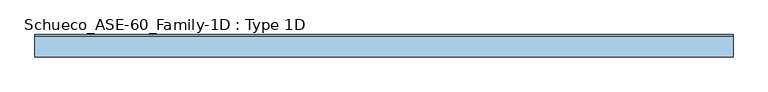
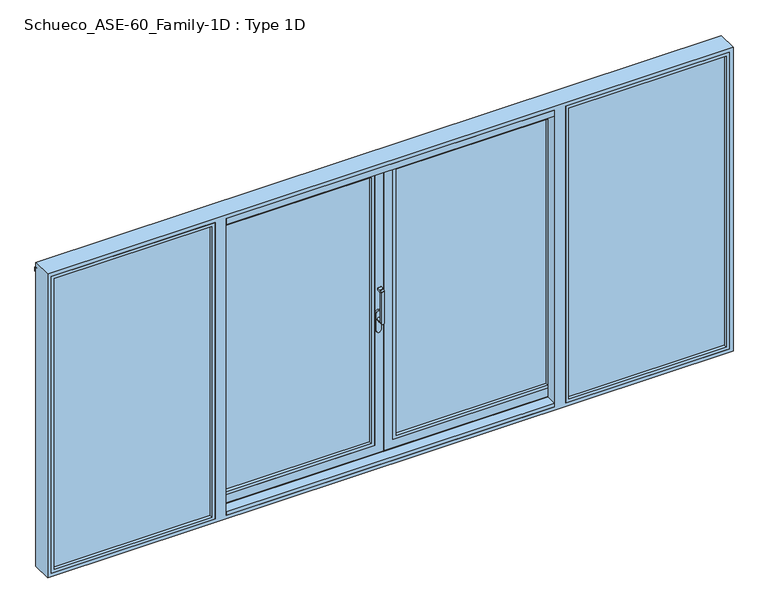
"""IFC4 building model written with IfcOpenShell, lengths in millimetres: window geometry, Schueco_ASE-60_Family-1D : Type 1D."""

from ifc_helpers import new_model, si_unit, point, frame, frame_2d, origin, place, context, project, spatial, polyline, circle_curve, trimmed, segment, composite_curve, outline, extrude, faceted_brep, source, transform, mapped, element, save
from ifc_brep_helpers import plane_surface, cylinder_surface, revolved_surface, advanced_brep


def schueco_ase_60_family_1d_type_1d_b2698dcb(model_context):
    return source(origin(), model_context, "Body", "SolidModel", [
        advanced_brep(
        [(-30.25, -41.999944, 999.0), (-30.25, -41.999944, 1224.2360009), (-54.25, -41.999944, 1224.2360009), (-54.25, -41.999944, 999.0), (-30.25, 6.000056, 999.005052), (-54.25, 6.000056, 999.005052), (-54.25, -29.999944, 999.005052), (-30.25, -29.999944, 999.005052), (-54.25, -41.4141576, 1225.6502145), (-54.25, -30.6500975, 1236.4142746), (-54.25, -29.2358839, 1237.000061), (-54.25, -1.999944, 1237.000061), (-54.25, 5.6e-05, 1235.000061), (-54.25, 5.6e-05, 1224.000061), (-54.25, -1.999944, 1222.000061), (-54.25, -22.649284, 1222.000061), (-54.25, -29.999944, 1214.6494011), (-30.25, -29.999944, 1214.6494011), (-30.25, -22.649284, 1222.000061), (-30.25, -1.999944, 1222.000061), (-30.25, 5.6e-05, 1224.000061), (-30.25, 5.6e-05, 1235.000061), (-30.25, -1.999944, 1237.000061), (-30.25, -29.2358839, 1237.000061), (-30.25, -30.6500975, 1236.4142746), (-30.25, -41.4141576, 1225.6502145)],
        [
            (0, 1),
            (1, 2),
            (2, 3),
            (3, 0, circle_curve(frame((-42.25, -41.999944, 999.005052), z_axis=(0.0, -1.0, 0.0), x_axis=(-1.0000000000000009, 0.0, 0.0)), 12.0)),
            (4, 5, circle_curve(frame((-42.25, 6.000056, 999.005052), z_axis=(0.0, 1.0, 0.0), x_axis=(-1.0000000000000009, 0.0, 0.0)), 12.0)),
            (5, 4, circle_curve(frame((-42.25, 6.000056, 999.005052), z_axis=(0.0, 1.0, 0.0), x_axis=(-1.0000000000000009, 0.0, 0.0)), 12.0)),
            (3, 6),
            (6, 5),
            (4, 7),
            (7, 0),
            (6, 7, circle_curve(frame((-42.25, -29.999944, 999.005052), z_axis=(0.0, 1.0, 0.0), x_axis=(-1.0000000000000009, 0.0, 0.0)), 12.0)),
            (2, 8, circle_curve(frame((-54.25, -39.999944, 1224.2360009), z_axis=(-1.0, 0.0, 0.0), x_axis=(0.0, 0.0, -1.0)), 2.0)),
            (8, 9),
            (9, 10, circle_curve(frame((-54.25, -29.2358839, 1235.000061), z_axis=(-1.0, 0.0, 0.0), x_axis=(0.0, 0.0, -1.0)), 2.0)),
            (10, 11),
            (11, 12, circle_curve(frame((-54.25, -1.999944, 1235.000061), z_axis=(-1.0, 0.0, 0.0), x_axis=(0.0, 0.0, -1.0)), 2.0)),
            (12, 13),
            (13, 14, circle_curve(frame((-54.25, -1.999944, 1224.000061), z_axis=(-1.0, 0.0, 0.0), x_axis=(0.0, 0.0, -1.0)), 2.0)),
            (14, 15),
            (15, 16, circle_curve(frame((-54.25, -22.649284, 1214.6494011), z_axis=(1.0, 0.0, 0.0), x_axis=(0.0, 0.0, -1.0)), 7.35066)),
            (16, 6),
            (7, 17),
            (17, 18, circle_curve(frame((-30.25, -22.649284, 1214.6494011), z_axis=(-1.0, 0.0, 0.0), x_axis=(0.0, 0.0, -1.0)), 7.35066)),
            (18, 19),
            (19, 20, circle_curve(frame((-30.25, -1.999944, 1224.000061), z_axis=(1.0, 0.0, 0.0), x_axis=(0.0, 0.0, -1.0)), 2.0)),
            (20, 21),
            (21, 22, circle_curve(frame((-30.25, -1.999944, 1235.000061), z_axis=(1.0, 0.0, 0.0), x_axis=(0.0, 0.0, -1.0)), 2.0)),
            (22, 23),
            (23, 24, circle_curve(frame((-30.25, -29.2358839, 1235.000061), z_axis=(1.0, 0.0, 0.0), x_axis=(0.0, 0.0, -1.0)), 2.0)),
            (24, 25),
            (25, 1, circle_curve(frame((-30.25, -39.999944, 1224.2360009), z_axis=(1.0, 0.0, 0.0), x_axis=(0.0, 0.0, -1.0)), 2.0)),
            (16, 17),
            (15, 18),
            (14, 19),
            (13, 20),
            (12, 21),
            (11, 22),
            (10, 23),
            (9, 24),
            (8, 25),
        ],
        [
            plane_surface(frame((-54.25, -41.999944, 999.005052), z_axis=(0.0, -1.0, 0.0), x_axis=(0.0, 0.0, 1.0))),
            plane_surface(frame((-54.25, 6.000056, 999.005052), z_axis=(0.0, 1.0, 0.0), x_axis=(0.0, 0.0, -1.0))),
            cylinder_surface(frame((-42.25, 6.000056, 999.005052), z_axis=(0.0, -1.0000000000000009, 0.0), x_axis=(-1.0000000000000009, 0.0, 0.0)), 12.0),
            plane_surface(frame((-54.25, -41.999944, 1004.7503433), z_axis=(-1.0, 0.0, 0.0), x_axis=(0.0, 0.0, -1.0))),
            plane_surface(frame((-30.25, -41.999944, 1004.7503433), z_axis=(1.0, 0.0, 0.0), x_axis=(0.0, 0.0, 1.0))),
            plane_surface(frame((-54.25, -29.999944, 999.0), z_axis=(0.0, 1.0, 0.0), x_axis=(1.0, 0.0, 0.0))),
            revolved_surface(polyline([(-30.25, -22.649284, 1207.2987411), (-54.25000000000004, -22.649284, 1207.2987411)]), (-30.25, -22.649284, 1214.6494011), (1.0000000000000009, 0.0, 0.0)),
            plane_surface(frame((-54.25, -22.649284, 1222.000061), z_axis=(0.0, 0.0, -1.0), x_axis=(1.0, 0.0, 0.0))),
            cylinder_surface(frame((-30.25, -1.999944, 1224.000061), z_axis=(-1.0000000000000009, 0.0, 0.0), x_axis=(0.0, 0.0, -1.0)), 2.0),
            plane_surface(frame((-54.25, 5.6e-05, 1224.000061), z_axis=(0.0, 1.0, 0.0), x_axis=(1.0, 0.0, 0.0))),
            cylinder_surface(frame((-30.25, -1.999944, 1235.000061), z_axis=(-1.0000000000000009, 0.0, 0.0), x_axis=(0.0, 0.0, -1.0)), 2.0),
            plane_surface(frame((-54.25, -1.999944, 1237.000061), z_axis=(0.0, 0.0, 1.0), x_axis=(1.0, 0.0, 0.0))),
            cylinder_surface(frame((-30.25, -29.2358839, 1235.000061), z_axis=(-1.0000000000000009, 0.0, 0.0), x_axis=(0.0, 0.0, -1.0)), 2.0),
            plane_surface(frame((-54.25, -30.6500975, 1236.4142746), z_axis=(0.0, -0.7071067811865419, 0.7071067811865531), x_axis=(1.0, 0.0, 0.0))),
            cylinder_surface(frame((-30.25, -39.999944, 1224.2360009), z_axis=(-1.0000000000000009, 0.0, 0.0), x_axis=(0.0, 0.0, -1.0)), 2.0),
        ],
        [
            (0, [[1, 2, 3, 4]]),
            (1, [[5, 6]]),
            (2, [[7, 8, -5, 9, 10, -4]]),
            (2, [[-8, 11, -9, -6]]),
            (3, [[12, 13, 14, 15, 16, 17, 18, 19, 20, 21, -7, -3]]),
            (4, [[-1, -10, 22, 23, 24, 25, 26, 27, 28, 29, 30, 31]]),
            (5, [[32, -22, -11, -21]]),
            (6, [[33, -23, -32, -20]]),
            (7, [[34, -24, -33, -19]]),
            (8, [[35, -25, -34, -18]]),
            (9, [[36, -26, -35, -17]]),
            (10, [[37, -27, -36, -16]]),
            (11, [[38, -28, -37, -15]]),
            (12, [[39, -29, -38, -14]]),
            (13, [[40, -30, -39, -13]]),
            (14, [[-2, -31, -40, -12]]),
        ],
    ),
        extrude(outline(composite_curve([segment(polyline([(917.2823932, -25.5), (1044.0099288, -25.5)]), True, "CONTINUOUS"), segment(trimmed(circle_curve(frame_2d((1044.0099288, -42.25)), 16.75), [point((1044.0099288, -25.5))], [point((1044.0099288, -59.0))], False, "CARTESIAN"), True, "CONTINUOUS"), segment(polyline([(1044.0099288, -59.0), (917.2823932, -59.0)]), True, "CONTINUOUS"), segment(trimmed(circle_curve(frame_2d((917.2823932, -42.25)), 16.75), [point((917.2823932, -59.0))], [point((917.2823932, -25.5))], False, "CARTESIAN"), True, "CONTINUOUS")], self_intersect=False)), frame((0.0, 6.000056, 0.0), z_axis=(0.0, 1.0, 0.0), x_axis=(0.0, 0.0, 1.0)), (0.0, 0.0, 1.0), 13.9999695),
        extrude(outline(polyline([(-1246.0016879, 80.0), (-1226.0017184, 80.0), (-1226.0017184, 74.5), (-1242.2016228, 74.5), (-1242.2016228, 20.0000255), (-1195.0000948, 20.0000255), (-1195.0000948, 4.0000255), (-1246.0016879, 4.0000255), (-1246.0016879, 80.0)])), frame((0.0, 0.0, 3.9982816), z_axis=(0.0, 0.0, 1.0), x_axis=(1.0, 0.0, 0.0)), (0.0, 0.0, 1.0), 2127.0034368),
        extrude(outline(polyline([(2071.0, -64.0), (2071.0, -1166.0), (64.0, -1166.0), (64.0, -64.0), (2071.0, -64.0)]), holes=[polyline([(2048.987351, -1143.987351), (2048.987351, -86.012649), (86.012649, -86.012649), (86.012649, -1143.987351), (2048.987351, -1143.987351)])]), frame((0.0, 20.0000255, 0.0), z_axis=(0.0, 1.0, 0.0), x_axis=(0.0, 0.0, 1.0)), (0.0, 0.0, 1.0), 22.9999656),
        extrude(outline(polyline([(-64.0, 68.9999911), (-64.0, 42.9999911), (-1166.0, 42.9999911), (-1166.0, 68.9999911), (-64.0, 68.9999911)])), frame((0.0, 0.0, 64.0), z_axis=(0.0, 0.0, 1.0), x_axis=(1.0, 0.0, 0.0)), (0.0, 0.0, 1.0), 2007.0),
        faceted_brep([(-1144.0, 68.9999911, 2049.0), (-1144.0, 68.9999911, 86.0), (-1144.0, 80.0, 86.0), (-1144.0, 80.0, 2049.0), (-1226.0017184, 80.0, 2131.0017184), (-3.9982816, 80.0, 2131.0017184), (-3.9982816, 80.0, 3.9982816), (-1226.0017184, 80.0, 3.9982816), (-86.0, 80.0, 2049.0), (-86.0, 80.0, 86.0), (-86.0, 68.9999911, 86.0), (-64.0, 68.9999911, 2071.0), (-1166.0, 68.9999911, 2071.0), (-1166.0, 68.9999911, 64.0), (-64.0, 68.9999911, 64.0), (-86.0, 68.9999911, 2049.0), (-1166.0, 20.0000255, 2071.0), (-1166.0, 20.0000255, 64.0), (-64.0, 20.0000255, 64.0), (-4.0, 20.0000255, 2131.0), (-1226.0, 20.0000255, 2131.0), (-1226.0, 20.0000255, 4.0), (-4.0, 20.0000255, 4.0), (-64.0, 20.0000255, 2071.0), (-1226.0, 25.5000255, 2131.0), (-1226.0, 25.5000255, 4.0), (-4.0, 25.5000255, 4.0), (-4.0, 25.5000255, 2131.0), (-34.0, 25.5000255, 2101.0), (-1196.0, 25.5000255, 2101.0), (-1196.0, 25.5000255, 34.0), (-34.0, 25.5000255, 34.0), (-1196.0, 74.5000332, 2101.0), (-1196.0, 74.5000332, 34.0), (-34.0, 74.5000332, 34.0), (-3.9982816, 74.5000332, 2131.0017184), (-1226.0017184, 74.5000332, 2131.0017184), (-1226.0017184, 74.5000332, 3.9982816), (-3.9982816, 74.5000332, 3.9982816), (-34.0, 74.5000332, 2101.0)], [[[0, 1, 2, 3]], [[4, 5, 6, 7], [8, 3, 2, 9]], [[1, 10, 9, 2]], [[11, 12, 13, 14], [0, 15, 10, 1]], [[16, 17, 13, 12]], [[17, 18, 14, 13]], [[19, 20, 21, 22], [16, 23, 18, 17]], [[24, 25, 21, 20]], [[25, 26, 22, 21]], [[24, 27, 26, 25], [28, 29, 30, 31]], [[32, 33, 30, 29]], [[33, 34, 31, 30]], [[35, 36, 37, 38], [32, 39, 34, 33]], [[4, 7, 37, 36]], [[7, 6, 38, 37]], [[10, 15, 8, 9]], [[18, 23, 11, 14]], [[26, 27, 19, 22]], [[34, 39, 28, 31]], [[6, 5, 35, 38]], [[15, 0, 3, 8]], [[23, 16, 12, 11]], [[27, 24, 20, 19]], [[39, 32, 29, 28]], [[5, 4, 36, 35]]]),
        extrude(outline(polyline([(-12.2016228, 25.5000255), (-12.2016228, 74.5), (34.0, 74.5), (34.0, 25.5000255), (-12.2016228, 25.5000255)])), frame((0.0, 0.0, 34.0), z_axis=(0.0, 0.0, 1.0), x_axis=(1.0, 0.0, 0.0)), (0.0, 0.0, 1.0), 2067.0),
        extrude(outline(polyline([(1246.0016879, 80.0), (1246.0016879, 4.0000255), (1195.0000948, 4.0000255), (1195.0000948, 20.0000255), (1242.2016228, 20.0000255), (1242.2016228, 74.5), (1226.0017184, 74.5), (1226.0017184, 80.0), (1246.0016879, 80.0)])), frame((0.0, 0.0, 3.9982816), z_axis=(0.0, 0.0, 1.0), x_axis=(1.0, 0.0, 0.0)), (0.0, 0.0, 1.0), 2127.0034368),
        extrude(outline(polyline([(2071.0, 64.0), (64.0, 64.0), (64.0, 1166.0), (2071.0, 1166.0), (2071.0, 64.0)]), holes=[polyline([(2048.987351, 1143.987351), (86.012649, 1143.987351), (86.012649, 86.012649), (2048.987351, 86.012649), (2048.987351, 1143.987351)])]), frame((0.0, 20.0000255, 0.0), z_axis=(0.0, 1.0, 0.0), x_axis=(0.0, 0.0, 1.0)), (0.0, 0.0, 1.0), 22.9999656),
        extrude(outline(polyline([(64.0, 68.9999911), (1166.0, 68.9999911), (1166.0, 42.9999911), (64.0, 42.9999911), (64.0, 68.9999911)])), frame((0.0, 0.0, 64.0), z_axis=(0.0, 0.0, 1.0), x_axis=(1.0, 0.0, 0.0)), (0.0, 0.0, 1.0), 2007.0),
        faceted_brep([(1144.0, 68.9999911, 2049.0), (1144.0, 80.0, 2049.0), (1144.0, 80.0, 86.0), (1144.0, 68.9999911, 86.0), (1226.0017184, 80.0, 2131.0017184), (1226.0017184, 80.0, 3.9982816), (3.9982816, 80.0, 3.9982816), (3.9982816, 80.0, 2131.0017184), (86.0, 80.0, 2049.0), (86.0, 80.0, 86.0), (86.0, 68.9999911, 86.0), (64.0, 68.9999911, 2071.0), (64.0, 68.9999911, 64.0), (1166.0, 68.9999911, 64.0), (1166.0, 68.9999911, 2071.0), (86.0, 68.9999911, 2049.0), (1166.0, 20.0000255, 2071.0), (1166.0, 20.0000255, 64.0), (64.0, 20.0000255, 64.0), (4.0, 20.0000255, 2131.0), (4.0, 20.0000255, 4.0), (1226.0, 20.0000255, 4.0), (1226.0, 20.0000255, 2131.0), (64.0, 20.0000255, 2071.0), (1226.0, 25.5000255, 2131.0), (1226.0, 25.5000255, 4.0), (4.0, 25.5000255, 4.0), (4.0, 25.5000255, 2131.0), (34.0, 25.5000255, 2101.0), (34.0, 25.5000255, 34.0), (1196.0, 25.5000255, 34.0), (1196.0, 25.5000255, 2101.0), (1196.0, 74.5000332, 2101.0), (1196.0, 74.5000332, 34.0), (34.0, 74.5000332, 34.0), (3.9982816, 74.5000332, 2131.0017184), (3.9982816, 74.5000332, 3.9982816), (1226.0017184, 74.5000332, 3.9982816), (1226.0017184, 74.5000332, 2131.0017184), (34.0, 74.5000332, 2101.0)], [[[0, 1, 2, 3]], [[4, 5, 6, 7], [8, 9, 2, 1]], [[3, 2, 9, 10]], [[11, 12, 13, 14], [0, 3, 10, 15]], [[16, 14, 13, 17]], [[17, 13, 12, 18]], [[19, 20, 21, 22], [16, 17, 18, 23]], [[24, 22, 21, 25]], [[25, 21, 20, 26]], [[24, 25, 26, 27], [28, 29, 30, 31]], [[32, 31, 30, 33]], [[33, 30, 29, 34]], [[35, 36, 37, 38], [32, 33, 34, 39]], [[4, 38, 37, 5]], [[5, 37, 36, 6]], [[10, 9, 8, 15]], [[18, 12, 11, 23]], [[26, 20, 19, 27]], [[34, 29, 28, 39]], [[6, 36, 35, 7]], [[15, 8, 1, 0]], [[23, 11, 14, 16]], [[27, 19, 22, 24]], [[39, 28, 31, 32]], [[7, 35, 38, 4]]]),
        extrude(outline(polyline([(1222.0000305, -10.9998071), (2364.0, -10.9998071), (2364.0, -36.9998071), (1222.0000305, -36.9998071), (1222.0000305, -10.9998071)])), frame((0.0, 0.0, -25.0), z_axis=(0.0, 0.0, 1.0), x_axis=(1.0, 0.0, 0.0)), (0.0, 0.0, 1.0), 2189.0),
        extrude(outline(polyline([(2164.0, 1222.0000305), (-25.0, 1222.0000305), (-25.0, 2364.0), (2164.0, 2364.0), (2164.0, 1222.0000305)]), holes=[polyline([(2141.9998171, 2341.9998171), (-2.9998171, 2341.9998171), (-2.9998171, 1244.0002134), (2141.9998171, 1244.0002134), (2141.9998171, 2341.9998171)])]), frame((0.0, -60.0, 0.0), z_axis=(0.0, 1.0, 0.0), x_axis=(0.0, 0.0, 1.0)), (0.0, 0.0, 1.0), 23.0001929),
        extrude(outline(polyline([(-2364.0, -10.9998071), (-1222.0000305, -10.9998071), (-1222.0000305, -36.9998071), (-2364.0, -36.9998071), (-2364.0, -10.9998071)])), frame((0.0, 0.0, -25.0), z_axis=(0.0, 0.0, 1.0), x_axis=(1.0, 0.0, 0.0)), (0.0, 0.0, 1.0), 2189.0),
        extrude(outline(polyline([(2164.0, -2364.0), (-25.0, -2364.0), (-25.0, -1222.0000305), (2164.0, -1222.0000305), (2164.0, -2364.0)]), holes=[polyline([(2141.9998171, -1244.0002134), (-2.9998171, -1244.0002134), (-2.9998171, -2341.9998171), (2141.9998171, -2341.9998171), (2141.9998171, -1244.0002134)])]), frame((0.0, -60.0, 0.0), z_axis=(0.0, 1.0, 0.0), x_axis=(0.0, 0.0, 1.0)), (0.0, 0.0, 1.0), 23.0001929),
        extrude(outline(polyline([(-2339.0, 5.0), (-2358.0007202, 5.0), (-2358.0007202, 9.0), (-2342.0, 9.0), (-2342.0, 68.2882381), (-2350.0, 71.2), (-2350.0, 80.0), (-2339.0, 80.0), (-2339.0, 5.0)])), frame((0.0, 0.0, -19.0), z_axis=(0.0, 0.0, 1.0), x_axis=(1.0, 0.0, 0.0)), (0.0, 0.0, 1.0), 2176.5),
        extrude(outline(polyline([(2339.0, 5.0), (2339.0, 80.0), (2350.0, 80.0), (2350.0, 71.2), (2342.0, 68.2882381), (2342.0, 9.0), (2358.0007202, 9.0), (2358.0007202, 5.0), (2339.0, 5.0)])), frame((0.0, 0.0, -19.0), z_axis=(0.0, 0.0, 1.0), x_axis=(1.0, 0.0, 0.0)), (0.0, 0.0, 1.0), 2176.5),
        faceted_brep([(2390.0, 80.0, -51.0), (2390.0, -60.0, -51.0), (-2390.0, -60.0, -51.0), (-2390.0, 80.0, -51.0), (2390.0, 80.0, 2190.0), (2390.0, -60.0, 2190.0), (-2390.0, -60.0, 2190.0), (2364.0, -60.0, 2164.0), (2364.0, -60.0, -25.0), (1222.0000305, -60.0, -25.0), (1222.0000305, -60.0, 2164.0), (-1144.0, -60.0, 2164.0), (1144.0, -60.0, 2164.0), (1144.0, -60.0, -25.0), (-1144.0, -60.0, -25.0), (-2364.0, -60.0, -25.0), (-2364.0, -60.0, 2164.0), (-1222.0000305, -60.0, 2164.0), (-1222.0000305, -60.0, -25.0), (-2390.0, 80.0, 2190.0), (2342.0, 0.0, -3.0), (2342.0, -10.9998071, -3.0), (2342.0, -10.9998071, 2142.0), (2342.0, 0.0, 2142.0), (-2364.0, -10.9998071, -25.0), (-2364.0, -10.9998071, 2164.0), (2364.0, -10.9998071, -25.0), (2364.0, -10.9998071, 2164.0), (1222.0000305, -10.9998071, -25.0), (-1222.0000305, -10.9998071, -25.0), (-1144.0, -10.9998071, -25.0), (1144.0, -10.9998071, -25.0), (-1144.0, 0.0, -25.0), (-1144.0, 0.0, -3.0), (1144.0, 0.0, -3.0), (1144.0, 0.0, -25.0), (2358.0007202, 0.0, 2155.2007202), (2358.0007202, 0.0, -25.0), (1195.0, 0.0, -25.0), (1195.0, 0.0, 2155.2007202), (1246.0, 0.0, 2142.0), (1246.0, 0.0, -3.0), (-2358.0007202, 0.0, -25.0), (-2358.0007202, 0.0, 2155.2007202), (-1195.0, 0.0, 2155.2007202), (-1195.0, 0.0, -25.0), (-2342.0, 0.0, 2142.0), (-2342.0, 0.0, -3.0), (-1246.0, 0.0, -3.0), (-1246.0, 0.0, 2142.0), (-1144.0, 0.0, 2142.0), (-1144.0, 0.0, 2155.2007202), (1144.0, 0.0, 2155.2007202), (1144.0, 0.0, 2142.0), (2358.0007202, 28.7999745, -25.0), (2358.0007202, 28.7999745, 2155.2007202), (-2358.0007202, 28.7999745, -25.0), (-2358.0007202, 28.7999745, 2155.2007202), (2350.0007202, 28.7999745, -11.0007902), (-2350.0007202, 28.7999745, -11.0007902), (-2350.0007202, 28.7999745, 2155.2007202), (2350.0007202, 28.7999745, 2155.2007202), (2341.9999672, 31.7120105, -3.0000372), (-2341.9999307, 31.712024, -3.0000001), (-2341.9999979, 31.7119993, 2122.0), (-2346.7036773, 30.0, 2122.0), (-2346.7036773, 30.0, 2129.2), (-2341.9999981, 31.7119992, 2130.9119992), (-2341.9999989, 31.7119989, 2155.2007202), (2342.0, 31.7119985, 2155.2007202), (2342.0, 31.7119985, 2130.9119985), (2346.7036773, 30.0, 2129.2), (2346.7036773, 30.0, 2122.0), (2342.0, 31.7119985, 2122.0), (2342.0, 35.8, 2155.2007202), (2342.0, 35.8, 2135.0), (2342.0, 68.2882381, -3.0), (2342.0, 68.2882381, 2122.0), (2342.0, 68.2882381, 2142.0), (2342.0, 68.2882381, 2130.9117619), (2342.0, 64.2, 2135.0), (2342.0, 64.2, 2142.0), (-2342.0, 68.2882381, -3.0), (2350.0, 71.2, -11.0), (2346.7030271, 70.0, 2122.0), (2346.7030271, 70.0, 2129.2), (2350.0, 71.2, 2150.0), (-2350.0, 71.2, -11.0), (2358.0, 71.2, -19.0), (-2358.0, 71.2, -19.0), (-2358.0, 71.2, 2157.5), (2358.0, 71.2, 2157.5), (-2350.0, 71.2, 2150.0), (-2342.0, 68.2882381, 2142.0), (-2342.0, 68.2882381, 2130.9117619), (-2346.7030271, 70.0, 2129.2), (-2346.7030271, 70.0, 2122.0), (-2342.0, 68.2882381, 2122.0), (2358.0, 80.0, -19.0), (-2358.0, 80.0, -19.0), (-2358.0, 80.0, 2157.5), (2358.0, 80.0, 2157.5), (-2342.0, 64.2, 2142.0), (-2342.0, 64.2, 2135.0), (-2342.0, 35.8, 2135.0), (-2342.0, 35.8, 2155.2007202), (-2342.0, -10.9998071, -3.0), (-2342.0, -10.9998071, 2142.0), (1222.0000305, -10.9998071, 2164.0), (1246.0, -10.9998071, -3.0), (1246.0, -10.9998071, 2142.0), (-1222.0000305, -10.9998071, 2164.0), (-1246.0, -10.9998071, 2142.0), (-1246.0, -10.9998071, -3.0), (-1144.0, -10.9998071, -3.0), (1144.0, -10.9998071, -3.0), (-1144.0, -10.9998071, 2164.0), (-1144.0, -10.9998071, 2142.0), (1144.0, -10.9998071, 2142.0), (1144.0, -10.9998071, 2164.0), (1195.0, 16.0, 2155.2007202), (1144.0, 16.0, 2155.2007202), (-1144.0, 16.0, 2155.2007202), (-1195.0, 16.0, 2155.2007202), (1144.0, 16.0, -25.0), (-1144.0, 16.0, -25.0), (-1195.0, 16.0, -25.0), (1195.0, 16.0, -25.0)], [[[0, 1, 2, 3]], [[4, 5, 1, 0]], [[6, 2, 1, 5], [7, 8, 9, 10], [11, 12, 13, 14], [15, 16, 17, 18]], [[3, 2, 6, 19]], [[20, 21, 22, 23]], [[15, 24, 25, 16]], [[26, 8, 7, 27]], [[8, 26, 28, 9]], [[24, 15, 18, 29]], [[30, 14, 13, 31]], [[32, 33, 34, 35]], [[36, 37, 38, 39], [20, 23, 40, 41]], [[42, 43, 44, 45], [46, 47, 48, 49]], [[50, 51, 52, 53]], [[54, 37, 36, 55]], [[42, 56, 57, 43]], [[58, 59, 60, 57, 56, 54, 55, 61]], [[58, 62, 63, 59]], [[59, 63, 64, 65, 66, 67, 68, 60]], [[62, 58, 61, 69, 70, 71, 72, 73]], [[70, 69, 74, 75]], [[76, 62, 73, 77]], [[78, 79, 80, 81]], [[62, 76, 82, 63]], [[83, 76, 77, 84, 85, 79, 78, 86]], [[76, 83, 87, 82]], [[88, 89, 90, 91], [87, 83, 86, 92]], [[82, 87, 92, 93, 94, 95, 96, 97]], [[88, 98, 99, 89]], [[89, 99, 100, 90]], [[98, 88, 91, 101]], [[63, 82, 97, 64]], [[94, 93, 102, 103]], [[68, 67, 104, 105]], [[106, 47, 46, 107]], [[26, 27, 108, 28], [22, 21, 109, 110]], [[25, 24, 29, 111], [106, 107, 112, 113]], [[114, 30, 31, 115]], [[116, 117, 118, 119]], [[6, 5, 4, 19]], [[16, 25, 111, 17]], [[108, 27, 7, 10]], [[11, 116, 119, 12]], [[105, 74, 69, 61, 55, 36, 39, 120, 121, 52, 51, 122, 123, 44, 43, 57, 60, 68]], [[66, 71, 70, 75, 104, 67]], [[65, 72, 71, 66]], [[96, 84, 77, 73, 72, 65, 64, 97]], [[104, 75, 74, 105]], [[103, 80, 79, 85, 95, 94]], [[102, 81, 80, 103]], [[93, 78, 81, 102]], [[95, 85, 84, 96]], [[92, 86, 78, 93]], [[100, 101, 91, 90]], [[0, 3, 19, 4], [99, 98, 101, 100]], [[10, 9, 28, 108]], [[18, 17, 111, 29]], [[13, 12, 119, 118, 53, 52, 121, 124, 35, 34, 115, 31]], [[11, 14, 30, 114, 33, 32, 125, 122, 51, 50, 117, 116]], [[21, 20, 41, 109]], [[33, 114, 115, 34]], [[47, 106, 113, 48]], [[38, 37, 54, 56, 42, 45, 126, 125, 32, 35, 124, 127]], [[110, 109, 41, 40]], [[113, 112, 49, 48]], [[39, 38, 127, 120]], [[123, 126, 45, 44]], [[122, 125, 126, 123]], [[124, 121, 120, 127]], [[23, 22, 110, 40]], [[107, 46, 49, 112]], [[117, 50, 53, 118]]]),
        extrude(outline(polyline([(71.2000255, 2150.5), (71.2000255, 2157.5), (79.9996967, 2157.5), (92.6000233, 2150.225198), (92.6000233, 2121.5), (91.0000233, 2121.5), (91.0000233, 2149.0706861), (88.5243789, 2150.5), (71.2000255, 2150.5)])), frame((-2390.0, 0.0, 0.0), z_axis=(1.0, 0.0, 0.0), x_axis=(0.0, 1.0, 0.0)), (0.0, 0.0, 1.0), 4780.0),
        extrude(outline(polyline([(80.0, 0.0), (80.0, -11.0), (71.2, -11.0), (68.2882381, -3.0), (61.9001183, -3.0), (61.9001183, 0.0), (80.0, 0.0)])), frame((-2339.0, 0.0, 0.0), z_axis=(1.0, 0.0, 0.0), x_axis=(0.0, 1.0, 0.0)), (0.0, 0.0, 1.0), 4678.0),
        extrude(outline(polyline([(38.1001183, 0.0), (38.1001183, -3.0), (31.712024, -3.0), (28.7999745, -11.0007902), (28.7999745, -25.0), (20.0000255, -25.0), (20.0000255, 0.0), (38.1001183, 0.0)])), frame((-2339.0, 0.0, 0.0), z_axis=(1.0, 0.0, 0.0), x_axis=(0.0, 1.0, 0.0)), (0.0, 0.0, 1.0), 4678.0),
        extrude(outline(polyline([(16.0, 0.0), (16.0, -11.0), (7.2, -11.0), (7.2, -3.0), (-40.5987802, -3.0), (-40.5987802, -25.0), (-60.0, -25.0), (-60.0, 0.0), (16.0, 0.0)])), frame((-1144.0, 0.0, 0.0), z_axis=(1.0, 0.0, 0.0), x_axis=(0.0, 1.0, 0.0)), (0.0, 0.0, 1.0), 2288.0),
        extrude(outline(polyline([(-60.0, 2120.9), (-60.0, 2164.0), (-40.6, 2164.0), (-40.6, 2131.0), (-10.9998071, 2131.0), (-10.9998071, 2142.0), (0.0, 2142.0), (0.0, 2131.0), (16.0, 2131.0), (16.0, 2120.9), (-60.0, 2120.9)])), frame((-1144.0, 0.0, 0.0), z_axis=(1.0, 0.0, 0.0), x_axis=(0.0, 1.0, 0.0)), (0.0, 0.0, 1.0), 2288.0),
    ])


if __name__ == "__main__":
    model = new_model("IFC4")
    model_context = context("Model", 3, world=origin())
    ifc_project = project(units=[si_unit("LENGTHUNIT", "METRE", prefix="MILLI")], contexts=[model_context])
    site = spatial("IfcSite", under=ifc_project)
    building = spatial("IfcBuilding", under=site)
    placement = place(None, origin())
    schueco_ase_60_family_1d_type_1d_shape = schueco_ase_60_family_1d_type_1d_b2698dcb(model_context)
    element("IfcWindow", 1, ObjectType="Schueco_ASE-60_Family-1D : Type 1D", at=placement, inside=building, context=model_context, shape_type="MappedRepresentation", body=[
        mapped(schueco_ase_60_family_1d_type_1d_shape, transform((0.0, 0.0, 0.0), x_axis=(1.0, 0.0, 0.0), y_axis=(0.0, 1.0, 0.0), z_axis=(0.0, 0.0, 1.0))),
    ])
    save(model, "model.ifc")
